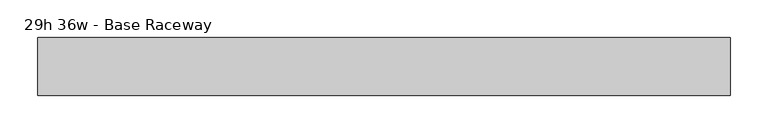
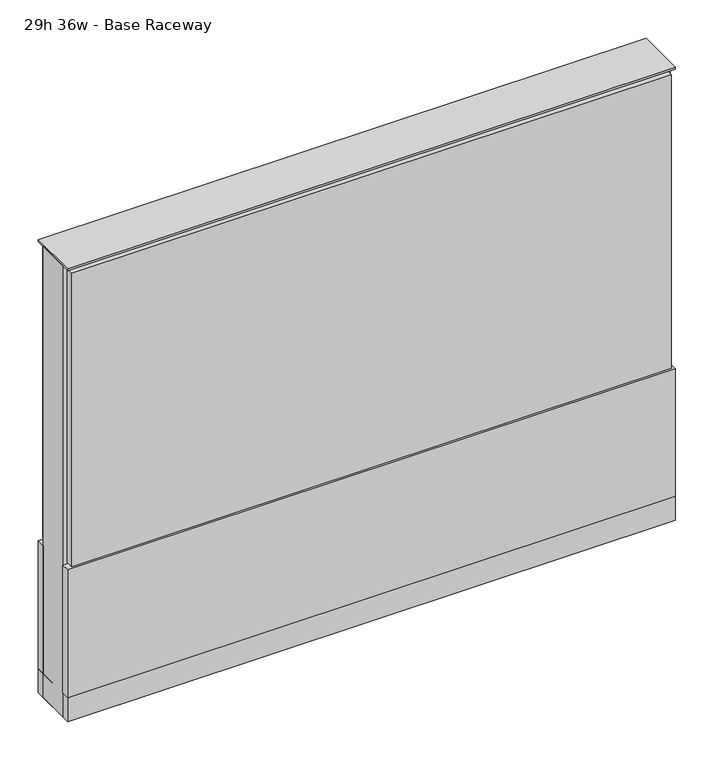
"""IFC4 building model written with IfcOpenShell, lengths in millimetres: furniture geometry, 29h 36w - Base Raceway."""

from ifc_helpers import new_model, si_unit, point, frame, frame_2d, origin, origin_with_axes, place, context, project, spatial, polyline, circle_curve, trimmed, segment, composite_curve, outline, extrude, source, transform, mapped, element, save


def furniture_29h_36w_base_raceway_19fe5e4a(model_context):
    return source(origin(), model_context, "Body", "SweptSolid", [
        extrude(outline(composite_curve([segment(trimmed(circle_curve(frame_2d((383.4402902, 0.0)), 12.7), [point((370.7402902, 0.0))], [point((396.1402902, 0.0))], False, "CARTESIAN"), True, "CONTINUOUS"), segment(trimmed(circle_curve(frame_2d((383.4402902, 0.0)), 12.7), [point((396.1402902, 0.0))], [point((370.7402902, 0.0))], False, "CARTESIAN"), True, "CONTINUOUS")], self_intersect=False)), origin_with_axes(), (0.0, 0.0, 1.0), 12.7),
        extrude(outline(composite_curve([segment(trimmed(circle_curve(frame_2d((-378.5597098, 0.0)), 12.7), [point((-391.2597098, 0.0))], [point((-365.8597098, 0.0))], False, "CARTESIAN"), True, "CONTINUOUS"), segment(trimmed(circle_curve(frame_2d((-378.5597098, 0.0)), 12.7), [point((-365.8597098, 0.0))], [point((-391.2597098, 0.0))], False, "CARTESIAN"), True, "CONTINUOUS")], self_intersect=False)), origin_with_axes(), (0.0, 0.0, 1.0), 12.7),
        extrude(outline(polyline([(453.2902902, 38.1), (453.2902902, 25.4), (-448.4097098, 25.4), (-448.4097098, 38.1), (453.2902902, 38.1)])), frame((0.0, 0.0, 257.175), z_axis=(0.0, 0.0, 1.0), x_axis=(1.0, 0.0, 0.0)), (0.0, 0.0, 1.0), 466.725),
        extrude(outline(polyline([(459.6402902, 38.1), (459.6402902, 25.4), (-454.7597098, 25.4), (-454.7597098, 38.1), (459.6402902, 38.1)])), frame((0.0, 0.0, 50.8), z_axis=(0.0, 0.0, 1.0), x_axis=(1.0, 0.0, 0.0)), (0.0, 0.0, 1.0), 203.2),
        extrude(outline(polyline([(459.6402902, -38.1), (-454.7597098, -38.1), (-454.7597098, -25.4), (459.6402902, -25.4), (459.6402902, -38.1)])), frame((0.0, 0.0, 50.8), z_axis=(0.0, 0.0, 1.0), x_axis=(1.0, 0.0, 0.0)), (0.0, 0.0, 1.0), 203.2),
        extrude(outline(polyline([(453.2902902, -38.1), (-448.4097098, -38.1), (-448.4097098, -25.4), (453.2902902, -25.4), (453.2902902, -38.1)])), frame((0.0, 0.0, 257.175), z_axis=(0.0, 0.0, 1.0), x_axis=(1.0, 0.0, 0.0)), (0.0, 0.0, 1.0), 466.725),
        extrude(outline(polyline([(459.6402902, 25.4), (459.6402902, -25.4), (-454.7597098, -25.4), (-454.7597098, 25.4), (459.6402902, 25.4)])), frame((0.0, 0.0, 12.7), z_axis=(0.0, 0.0, 1.0), x_axis=(1.0, 0.0, 0.0)), (0.0, 0.0, 1.0), 717.55),
        extrude(outline(polyline([(-454.7597098, -38.1), (-454.7597098, 38.1), (459.6402902, 38.1), (459.6402902, -38.1), (-454.7597098, -38.1)])), frame((0.0, 0.0, 12.7), z_axis=(0.0, 0.0, 1.0), x_axis=(1.0, 0.0, 0.0)), (0.0, 0.0, 1.0), 38.1),
        extrude(outline(polyline([(-454.7597098, -38.1), (-454.7597098, 38.1), (459.6402902, 38.1), (459.6402902, -38.1), (-454.7597098, -38.1)])), frame((0.0, 0.0, 730.25), z_axis=(0.0, 0.0, 1.0), x_axis=(1.0, 0.0, 0.0)), (0.0, 0.0, 1.0), 3.175),
    ])


if __name__ == "__main__":
    model = new_model("IFC4")
    model_context = context("Model", 3, world=origin())
    ifc_project = project(units=[si_unit("LENGTHUNIT", "METRE", prefix="MILLI")], contexts=[model_context])
    site = spatial("IfcSite", under=ifc_project)
    building = spatial("IfcBuilding", under=site)
    placement = place(None, origin())
    furniture_29h_36w_base_raceway_shape = furniture_29h_36w_base_raceway_19fe5e4a(model_context)
    element("IfcFurniture", 1, ObjectType="29h 36w - Base Raceway", at=placement, inside=building, context=model_context, shape_type="MappedRepresentation", body=[
        mapped(furniture_29h_36w_base_raceway_shape, transform((0.0, 0.0, 0.0), x_axis=(1.0, 0.0, 0.0), y_axis=(0.0, 1.0, 0.0), z_axis=(0.0, 0.0, 1.0))),
    ])
    save(model, "model.ifc")
